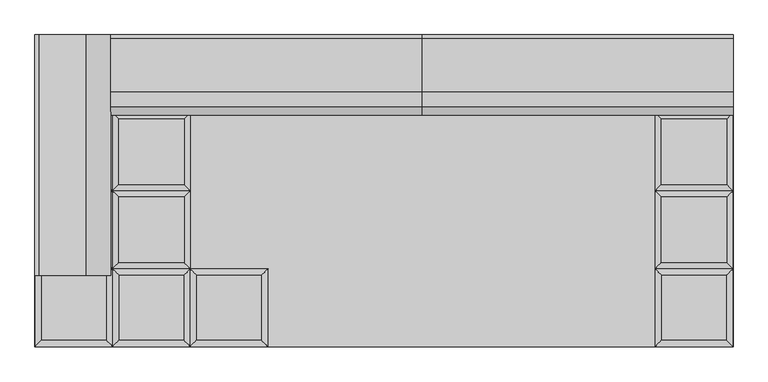
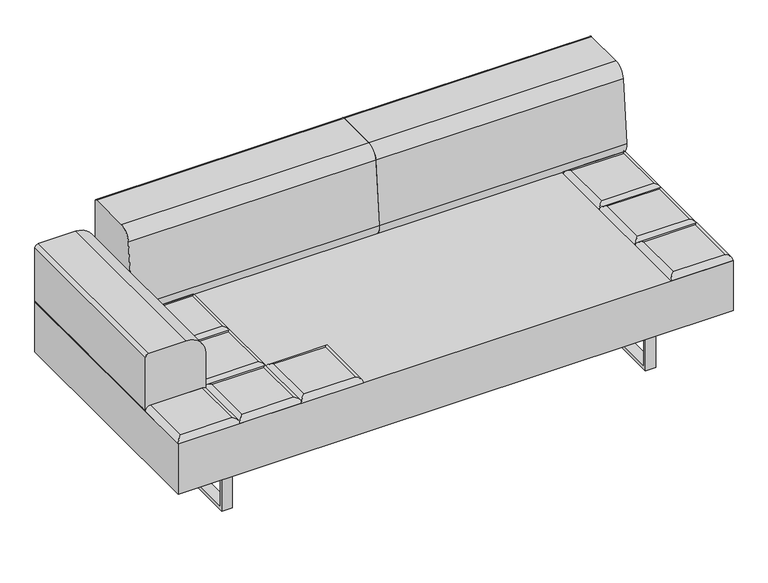
"""IFC4 building model written with IfcOpenShell, lengths in millimetres: furniture geometry."""

from ifc_helpers import new_model, si_unit, point, frame, frame_2d, origin, place, context, project, spatial, polyline, circle_curve, ellipse_curve, trimmed, segment, composite_curve, outline, extrude, source, transform, mapped, element, save
from ifc_brep_helpers import plane_surface, cylinder_surface, advanced_brep


def furniture_62839e87(model_context):
    return source(origin(), model_context, "Body", "SolidModel", [
        advanced_brep(
        [(-330.2, -222.25, 393.7), (-348.1605122, -240.2105122, 411.6605122), (-348.1605122, -426.5394878, 411.6605122), (-330.2, -444.5, 393.7), (-534.4894878, -426.5394878, 411.6605122), (-552.45, -444.5, 393.7), (-534.4894878, -240.2105122, 411.6605122), (-552.45, -222.25, 393.7)],
        [
            (0, 1, ellipse_curve(frame((-348.1605122, -240.2105122, 393.7), z_axis=(0.7071067811865475, -0.7071067811865475, 0.0), x_axis=(0.7071067811865474, 0.7071067811865476, 0.0)), 25.4, 17.9605122)),
            (1, 2),
            (2, 3, ellipse_curve(frame((-348.1605122, -426.5394878, 393.7), z_axis=(0.7071067811865475, 0.7071067811865475, 0.0), x_axis=(-0.7071067811865474, 0.7071067811865476, 0.0)), 25.4, 17.9605122)),
            (3, 0),
            (2, 4),
            (4, 5, ellipse_curve(frame((-534.4894878, -426.5394878, 393.7), z_axis=(0.7071067811865475, -0.7071067811865475, 0.0), x_axis=(0.7071067811865476, 0.7071067811865474, 0.0)), 25.4, 17.9605122)),
            (5, 3),
            (4, 6),
            (6, 7, ellipse_curve(frame((-534.4894878, -240.2105122, 393.7), z_axis=(-0.7071067811865475, -0.7071067811865475, 0.0), x_axis=(0.7071067811865474, -0.7071067811865476, 0.0)), 25.4, 17.9605122)),
            (7, 5),
            (0, 7),
            (6, 1),
        ],
        [
            cylinder_surface(frame((-348.1605122, -222.25, 393.7), z_axis=(0.0, 1.0, 0.0), x_axis=(1.0, 0.0, 0.0)), 17.9605122),
            cylinder_surface(frame((-330.2, -426.5394878, 393.7), z_axis=(1.0, 0.0, 0.0), x_axis=(0.0, -1.0, 0.0)), 17.9605122),
            cylinder_surface(frame((-534.4894878, -444.5, 393.7), z_axis=(0.0, -1.0, 0.0), x_axis=(-1.0, 0.0, 0.0)), 17.9605122),
            cylinder_surface(frame((-552.45, -240.2105122, 393.7), z_axis=(-1.0, 0.0, 0.0), x_axis=(0.0, 1.0, 0.0)), 17.9605122),
            plane_surface(frame((-552.45, -222.25, 393.7), z_axis=(0.0, 0.0, -1.0), x_axis=(1.0, 0.0, 0.0))),
            plane_surface(frame((-534.4894878, -240.2105122, 411.6605122), z_axis=(0.0, 0.0, 1.0), x_axis=(-1.0, 0.0, 0.0))),
        ],
        [
            (0, [[1, 2, 3, 4]]),
            (1, [[-3, 5, 6, 7]]),
            (2, [[-6, 8, 9, 10]]),
            (3, [[-1, 11, -9, 12]]),
            (4, [[-4, -7, -10, -11]]),
            (5, [[-2, -12, -8, -5]]),
        ],
    ),
        advanced_brep(
        [(-568.8230122, -204.2894878, 411.6605122), (-568.8230122, -17.9605122, 411.6605122), (-755.1519878, -17.9605122, 411.6605122), (-755.1519878, -204.2894878, 411.6605122), (-550.8625, 0.0, 393.7), (-550.8625, -222.25, 393.7), (-773.1125, -222.25, 393.7), (-773.1125, 0.0, 393.7)],
        [
            (0, 1),
            (1, 2),
            (2, 3),
            (3, 0),
            (4, 5),
            (5, 6),
            (6, 7),
            (7, 4),
            (4, 1, ellipse_curve(frame((-568.8230122, -17.9605122, 393.7), z_axis=(0.7071067811865475, -0.7071067811865475, 0.0), x_axis=(0.7071067811865474, 0.7071067811865476, 0.0)), 25.4, 17.9605122)),
            (0, 5, ellipse_curve(frame((-568.8230122, -204.2894878, 393.7), z_axis=(0.7071067811865475, 0.7071067811865475, 0.0), x_axis=(-0.7071067811865474, 0.7071067811865476, 0.0)), 25.4, 17.9605122)),
            (3, 6, ellipse_curve(frame((-755.1519878, -204.2894878, 393.7), z_axis=(0.7071067811865475, -0.7071067811865475, 0.0), x_axis=(0.7071067811865476, 0.7071067811865474, 0.0)), 25.4, 17.9605122)),
            (2, 7, ellipse_curve(frame((-755.1519878, -17.9605122, 393.7), z_axis=(-0.7071067811865475, -0.7071067811865475, 0.0), x_axis=(0.7071067811865474, -0.7071067811865476, 0.0)), 25.4, 17.9605122)),
        ],
        [
            plane_surface(frame((-755.1519878, -17.9605122, 411.6605122), z_axis=(0.0, 0.0, 1.0), x_axis=(-1.0, 0.0, 0.0))),
            plane_surface(frame((-755.1519878, -17.9605122, 393.7), z_axis=(0.0, 0.0, -1.0), x_axis=(1.0, 0.0, 0.0))),
            cylinder_surface(frame((-568.8230122, 0.0, 393.7), z_axis=(0.0, 1.0, 0.0), x_axis=(1.0, 0.0, 0.0)), 17.9605122),
            cylinder_surface(frame((-550.8625, -204.2894878, 393.7), z_axis=(1.0, 0.0, 0.0), x_axis=(0.0, -1.0, 0.0)), 17.9605122),
            cylinder_surface(frame((-755.1519878, -222.25, 393.7), z_axis=(0.0, -1.0, 0.0), x_axis=(-1.0, 0.0, 0.0)), 17.9605122),
            cylinder_surface(frame((-773.1125, -17.9605122, 393.7), z_axis=(-1.0, 0.0, 0.0), x_axis=(0.0, 1.0, 0.0)), 17.9605122),
        ],
        [
            (0, [[1, 2, 3, 4]]),
            (1, [[5, 6, 7, 8]]),
            (2, [[9, -1, 10, -5]]),
            (3, [[-10, -4, 11, -6]]),
            (4, [[-11, -3, 12, -7]]),
            (5, [[-9, -8, -12, -2]]),
        ],
    ),
        advanced_brep(
        [(-568.8230122, 17.9605122, 411.6605122), (-568.8230122, 204.2894878, 411.6605122), (-755.1519878, 204.2894878, 411.6605122), (-755.1519878, 17.9605122, 411.6605122), (-550.8625, 222.25, 393.7), (-550.8625, 0.0, 393.7), (-773.1125, 0.0, 393.7), (-773.1125, 222.25, 393.7)],
        [
            (0, 1),
            (1, 2),
            (2, 3),
            (3, 0),
            (4, 5),
            (5, 6),
            (6, 7),
            (7, 4),
            (4, 1, ellipse_curve(frame((-568.8230122, 204.2894878, 393.7), z_axis=(0.7071067811865475, -0.7071067811865475, 0.0), x_axis=(0.7071067811865474, 0.7071067811865476, 0.0)), 25.4, 17.9605122)),
            (0, 5, ellipse_curve(frame((-568.8230122, 17.9605122, 393.7), z_axis=(0.7071067811865475, 0.7071067811865475, 0.0), x_axis=(-0.7071067811865474, 0.7071067811865476, 0.0)), 25.4, 17.9605122)),
            (3, 6, ellipse_curve(frame((-755.1519878, 17.9605122, 393.7), z_axis=(0.7071067811865475, -0.7071067811865475, 0.0), x_axis=(0.7071067811865476, 0.7071067811865474, 0.0)), 25.4, 17.9605122)),
            (2, 7, ellipse_curve(frame((-755.1519878, 204.2894878, 393.7), z_axis=(-0.7071067811865475, -0.7071067811865475, 0.0), x_axis=(0.7071067811865474, -0.7071067811865476, 0.0)), 25.4, 17.9605122)),
        ],
        [
            plane_surface(frame((-755.1519878, 204.2894878, 411.6605122), z_axis=(0.0, 0.0, 1.0), x_axis=(-1.0, 0.0, 0.0))),
            plane_surface(frame((-755.1519878, 204.2894878, 393.7), z_axis=(0.0, 0.0, -1.0), x_axis=(1.0, 0.0, 0.0))),
            cylinder_surface(frame((-568.8230122, 222.25, 393.7), z_axis=(0.0, 1.0, 0.0), x_axis=(1.0, 0.0, 0.0)), 17.9605122),
            cylinder_surface(frame((-550.8625, 17.9605122, 393.7), z_axis=(1.0, 0.0, 0.0), x_axis=(0.0, -1.0, 0.0)), 17.9605122),
            cylinder_surface(frame((-755.1519878, 0.0, 393.7), z_axis=(0.0, -1.0, 0.0), x_axis=(-1.0, 0.0, 0.0)), 17.9605122),
            cylinder_surface(frame((-773.1125, 204.2894878, 393.7), z_axis=(-1.0, 0.0, 0.0), x_axis=(0.0, 1.0, 0.0)), 17.9605122),
        ],
        [
            (0, [[1, 2, 3, 4]]),
            (1, [[5, 6, 7, 8]]),
            (2, [[9, -1, 10, -5]]),
            (3, [[-10, -4, 11, -6]]),
            (4, [[-11, -3, 12, -7]]),
            (5, [[-9, -8, -12, -2]]),
        ],
    ),
        advanced_brep(
        [(-568.8230122, 240.2105122, 411.6605122), (-568.8230122, 426.5394878, 411.6605122), (-755.1519878, 426.5394878, 411.6605122), (-755.1519878, 240.2105122, 411.6605122), (-550.8625, 444.5, 393.7), (-550.8625, 222.25, 393.7), (-773.1125, 222.25, 393.7), (-773.1125, 444.5, 393.7)],
        [
            (0, 1),
            (1, 2),
            (2, 3),
            (3, 0),
            (4, 5),
            (5, 6),
            (6, 7),
            (7, 4),
            (4, 1, ellipse_curve(frame((-568.8230122, 426.5394878, 393.7), z_axis=(0.7071067811865475, -0.7071067811865475, 0.0), x_axis=(0.7071067811865474, 0.7071067811865476, 0.0)), 25.4, 17.9605122)),
            (0, 5, ellipse_curve(frame((-568.8230122, 240.2105122, 393.7), z_axis=(0.7071067811865475, 0.7071067811865475, 0.0), x_axis=(-0.7071067811865474, 0.7071067811865476, 0.0)), 25.4, 17.9605122)),
            (3, 6, ellipse_curve(frame((-755.1519878, 240.2105122, 393.7), z_axis=(0.7071067811865475, -0.7071067811865475, 0.0), x_axis=(0.7071067811865476, 0.7071067811865474, 0.0)), 25.4, 17.9605122)),
            (2, 7, ellipse_curve(frame((-755.1519878, 426.5394878, 393.7), z_axis=(-0.7071067811865475, -0.7071067811865475, 0.0), x_axis=(0.7071067811865474, -0.7071067811865476, 0.0)), 25.4, 17.9605122)),
        ],
        [
            plane_surface(frame((-755.1519878, 426.5394878, 411.6605122), z_axis=(0.0, 0.0, 1.0), x_axis=(-1.0, 0.0, 0.0))),
            plane_surface(frame((-755.1519878, 426.5394878, 393.7), z_axis=(0.0, 0.0, -1.0), x_axis=(1.0, 0.0, 0.0))),
            cylinder_surface(frame((-568.8230122, 444.5, 393.7), z_axis=(0.0, 1.0, 0.0), x_axis=(1.0, 0.0, 0.0)), 17.9605122),
            cylinder_surface(frame((-550.8625, 240.2105122, 393.7), z_axis=(1.0, 0.0, 0.0), x_axis=(0.0, -1.0, 0.0)), 17.9605122),
            cylinder_surface(frame((-755.1519878, 222.25, 393.7), z_axis=(0.0, -1.0, 0.0), x_axis=(-1.0, 0.0, 0.0)), 17.9605122),
            cylinder_surface(frame((-773.1125, 426.5394878, 393.7), z_axis=(-1.0, 0.0, 0.0), x_axis=(0.0, 1.0, 0.0)), 17.9605122),
        ],
        [
            (0, [[1, 2, 3, 4]]),
            (1, [[5, 6, 7, 8]]),
            (2, [[9, -1, 10, -5]]),
            (3, [[-10, -4, 11, -6]]),
            (4, [[-11, -3, 12, -7]]),
            (5, [[-9, -8, -12, -2]]),
        ],
    ),
        advanced_brep(
        [(-550.8625, -222.25, 393.7), (-568.8230122, -240.2105122, 411.6605122), (-568.8230122, -426.5394878, 411.6605122), (-550.8625, -444.5, 393.7), (-755.1519878, -426.5394878, 411.6605122), (-773.1125, -444.5, 393.7), (-755.1519878, -240.2105122, 411.6605122), (-773.1125, -222.25, 393.7)],
        [
            (0, 1, ellipse_curve(frame((-568.8230122, -240.2105122, 393.7), z_axis=(0.7071067811865475, -0.7071067811865475, 0.0), x_axis=(0.7071067811865474, 0.7071067811865476, 0.0)), 25.4, 17.9605122)),
            (1, 2),
            (2, 3, ellipse_curve(frame((-568.8230122, -426.5394878, 393.7), z_axis=(0.7071067811865475, 0.7071067811865475, 0.0), x_axis=(-0.7071067811865474, 0.7071067811865476, 0.0)), 25.4, 17.9605122)),
            (3, 0),
            (2, 4),
            (4, 5, ellipse_curve(frame((-755.1519878, -426.5394878, 393.7), z_axis=(0.7071067811865475, -0.7071067811865475, 0.0), x_axis=(0.7071067811865476, 0.7071067811865474, 0.0)), 25.4, 17.9605122)),
            (5, 3),
            (4, 6),
            (6, 7, ellipse_curve(frame((-755.1519878, -240.2105122, 393.7), z_axis=(-0.7071067811865475, -0.7071067811865475, 0.0), x_axis=(0.7071067811865474, -0.7071067811865476, 0.0)), 25.4, 17.9605122)),
            (7, 5),
            (0, 7),
            (6, 1),
        ],
        [
            cylinder_surface(frame((-568.8230122, -222.25, 393.7), z_axis=(0.0, 1.0, 0.0), x_axis=(1.0, 0.0, 0.0)), 17.9605122),
            cylinder_surface(frame((-550.8625, -426.5394878, 393.7), z_axis=(1.0, 0.0, 0.0), x_axis=(0.0, -1.0, 0.0)), 17.9605122),
            cylinder_surface(frame((-755.1519878, -444.5, 393.7), z_axis=(0.0, -1.0, 0.0), x_axis=(-1.0, 0.0, 0.0)), 17.9605122),
            cylinder_surface(frame((-773.1125, -240.2105122, 393.7), z_axis=(-1.0, 0.0, 0.0), x_axis=(0.0, 1.0, 0.0)), 17.9605122),
            plane_surface(frame((-773.1125, -222.25, 393.7), z_axis=(0.0, 0.0, -1.0), x_axis=(1.0, 0.0, 0.0))),
            plane_surface(frame((-755.1519878, -240.2105122, 411.6605122), z_axis=(0.0, 0.0, 1.0), x_axis=(-1.0, 0.0, 0.0))),
        ],
        [
            (0, [[1, 2, 3, 4]]),
            (1, [[-3, 5, 6, 7]]),
            (2, [[-6, 8, 9, 10]]),
            (3, [[-1, 11, -9, 12]]),
            (4, [[-4, -7, -10, -11]]),
            (5, [[-2, -12, -8, -5]]),
        ],
    ),
        advanced_brep(
        [(975.8144878, -204.2894878, 411.6605122), (975.8144878, -17.9605122, 411.6605122), (789.4855122, -17.9605122, 411.6605122), (789.4855122, -204.2894878, 411.6605122), (993.775, 0.0, 393.7), (993.775, -222.25, 393.7), (771.525, -222.25, 393.7), (771.525, 0.0, 393.7)],
        [
            (0, 1),
            (1, 2),
            (2, 3),
            (3, 0),
            (4, 5),
            (5, 6),
            (6, 7),
            (7, 4),
            (4, 1, ellipse_curve(frame((975.8144878, -17.9605122, 393.7), z_axis=(0.7071067811865475, -0.7071067811865475, 0.0), x_axis=(0.7071067811865474, 0.7071067811865476, 0.0)), 25.4, 17.9605122)),
            (0, 5, ellipse_curve(frame((975.8144878, -204.2894878, 393.7), z_axis=(0.7071067811865475, 0.7071067811865475, 0.0), x_axis=(-0.7071067811865474, 0.7071067811865476, 0.0)), 25.4, 17.9605122)),
            (3, 6, ellipse_curve(frame((789.4855122, -204.2894878, 393.7), z_axis=(0.7071067811865475, -0.7071067811865475, 0.0), x_axis=(0.7071067811865476, 0.7071067811865474, 0.0)), 25.4, 17.9605122)),
            (2, 7, ellipse_curve(frame((789.4855122, -17.9605122, 393.7), z_axis=(-0.7071067811865475, -0.7071067811865475, 0.0), x_axis=(0.7071067811865474, -0.7071067811865476, 0.0)), 25.4, 17.9605122)),
        ],
        [
            plane_surface(frame((789.4855122, -17.9605122, 411.6605122), z_axis=(0.0, 0.0, 1.0), x_axis=(-1.0, 0.0, 0.0))),
            plane_surface(frame((789.4855122, -17.9605122, 393.7), z_axis=(0.0, 0.0, -1.0), x_axis=(1.0, 0.0, 0.0))),
            cylinder_surface(frame((975.8144878, 0.0, 393.7), z_axis=(0.0, 1.0, 0.0), x_axis=(1.0, 0.0, 0.0)), 17.9605122),
            cylinder_surface(frame((993.775, -204.2894878, 393.7), z_axis=(1.0, 0.0, 0.0), x_axis=(0.0, -1.0, 0.0)), 17.9605122),
            cylinder_surface(frame((789.4855122, -222.25, 393.7), z_axis=(0.0, -1.0, 0.0), x_axis=(-1.0, 0.0, 0.0)), 17.9605122),
            cylinder_surface(frame((771.525, -17.9605122, 393.7), z_axis=(-1.0, 0.0, 0.0), x_axis=(0.0, 1.0, 0.0)), 17.9605122),
        ],
        [
            (0, [[1, 2, 3, 4]]),
            (1, [[5, 6, 7, 8]]),
            (2, [[9, -1, 10, -5]]),
            (3, [[-10, -4, 11, -6]]),
            (4, [[-11, -3, 12, -7]]),
            (5, [[-9, -8, -12, -2]]),
        ],
    ),
        advanced_brep(
        [(975.8144878, 17.9605122, 411.6605122), (975.8144878, 204.2894878, 411.6605122), (789.4855122, 204.2894878, 411.6605122), (789.4855122, 17.9605122, 411.6605122), (993.775, 222.25, 393.7), (993.775, 0.0, 393.7), (771.525, 0.0, 393.7), (771.525, 222.25, 393.7)],
        [
            (0, 1),
            (1, 2),
            (2, 3),
            (3, 0),
            (4, 5),
            (5, 6),
            (6, 7),
            (7, 4),
            (4, 1, ellipse_curve(frame((975.8144878, 204.2894878, 393.7), z_axis=(0.7071067811865475, -0.7071067811865475, 0.0), x_axis=(0.7071067811865474, 0.7071067811865476, 0.0)), 25.4, 17.9605122)),
            (0, 5, ellipse_curve(frame((975.8144878, 17.9605122, 393.7), z_axis=(0.7071067811865475, 0.7071067811865475, 0.0), x_axis=(-0.7071067811865474, 0.7071067811865476, 0.0)), 25.4, 17.9605122)),
            (3, 6, ellipse_curve(frame((789.4855122, 17.9605122, 393.7), z_axis=(0.7071067811865475, -0.7071067811865475, 0.0), x_axis=(0.7071067811865476, 0.7071067811865474, 0.0)), 25.4, 17.9605122)),
            (2, 7, ellipse_curve(frame((789.4855122, 204.2894878, 393.7), z_axis=(-0.7071067811865475, -0.7071067811865475, 0.0), x_axis=(0.7071067811865474, -0.7071067811865476, 0.0)), 25.4, 17.9605122)),
        ],
        [
            plane_surface(frame((789.4855122, 204.2894878, 411.6605122), z_axis=(0.0, 0.0, 1.0), x_axis=(-1.0, 0.0, 0.0))),
            plane_surface(frame((789.4855122, 204.2894878, 393.7), z_axis=(0.0, 0.0, -1.0), x_axis=(1.0, 0.0, 0.0))),
            cylinder_surface(frame((975.8144878, 222.25, 393.7), z_axis=(0.0, 1.0, 0.0), x_axis=(1.0, 0.0, 0.0)), 17.9605122),
            cylinder_surface(frame((993.775, 17.9605122, 393.7), z_axis=(1.0, 0.0, 0.0), x_axis=(0.0, -1.0, 0.0)), 17.9605122),
            cylinder_surface(frame((789.4855122, 0.0, 393.7), z_axis=(0.0, -1.0, 0.0), x_axis=(-1.0, 0.0, 0.0)), 17.9605122),
            cylinder_surface(frame((771.525, 204.2894878, 393.7), z_axis=(-1.0, 0.0, 0.0), x_axis=(0.0, 1.0, 0.0)), 17.9605122),
        ],
        [
            (0, [[1, 2, 3, 4]]),
            (1, [[5, 6, 7, 8]]),
            (2, [[9, -1, 10, -5]]),
            (3, [[-10, -4, 11, -6]]),
            (4, [[-11, -3, 12, -7]]),
            (5, [[-9, -8, -12, -2]]),
        ],
    ),
        advanced_brep(
        [(975.8144878, 240.2105122, 411.6605122), (975.8144878, 426.5394878, 411.6605122), (789.4855122, 426.5394878, 411.6605122), (789.4855122, 240.2105122, 411.6605122), (993.775, 444.5, 393.7), (993.775, 222.25, 393.7), (771.525, 222.25, 393.7), (771.525, 444.5, 393.7)],
        [
            (0, 1),
            (1, 2),
            (2, 3),
            (3, 0),
            (4, 5),
            (5, 6),
            (6, 7),
            (7, 4),
            (4, 1, ellipse_curve(frame((975.8144878, 426.5394878, 393.7), z_axis=(0.7071067811865475, -0.7071067811865475, 0.0), x_axis=(0.7071067811865474, 0.7071067811865476, 0.0)), 25.4, 17.9605122)),
            (0, 5, ellipse_curve(frame((975.8144878, 240.2105122, 393.7), z_axis=(0.7071067811865475, 0.7071067811865475, 0.0), x_axis=(-0.7071067811865474, 0.7071067811865476, 0.0)), 25.4, 17.9605122)),
            (3, 6, ellipse_curve(frame((789.4855122, 240.2105122, 393.7), z_axis=(0.7071067811865475, -0.7071067811865475, 0.0), x_axis=(0.7071067811865476, 0.7071067811865474, 0.0)), 25.4, 17.9605122)),
            (2, 7, ellipse_curve(frame((789.4855122, 426.5394878, 393.7), z_axis=(-0.7071067811865475, -0.7071067811865475, 0.0), x_axis=(0.7071067811865474, -0.7071067811865476, 0.0)), 25.4, 17.9605122)),
        ],
        [
            plane_surface(frame((789.4855122, 426.5394878, 411.6605122), z_axis=(0.0, 0.0, 1.0), x_axis=(-1.0, 0.0, 0.0))),
            plane_surface(frame((789.4855122, 426.5394878, 393.7), z_axis=(0.0, 0.0, -1.0), x_axis=(1.0, 0.0, 0.0))),
            cylinder_surface(frame((975.8144878, 444.5, 393.7), z_axis=(0.0, 1.0, 0.0), x_axis=(1.0, 0.0, 0.0)), 17.9605122),
            cylinder_surface(frame((993.775, 240.2105122, 393.7), z_axis=(1.0, 0.0, 0.0), x_axis=(0.0, -1.0, 0.0)), 17.9605122),
            cylinder_surface(frame((789.4855122, 222.25, 393.7), z_axis=(0.0, -1.0, 0.0), x_axis=(-1.0, 0.0, 0.0)), 17.9605122),
            cylinder_surface(frame((771.525, 426.5394878, 393.7), z_axis=(-1.0, 0.0, 0.0), x_axis=(0.0, 1.0, 0.0)), 17.9605122),
        ],
        [
            (0, [[1, 2, 3, 4]]),
            (1, [[5, 6, 7, 8]]),
            (2, [[9, -1, 10, -5]]),
            (3, [[-10, -4, 11, -6]]),
            (4, [[-11, -3, 12, -7]]),
            (5, [[-9, -8, -12, -2]]),
        ],
    ),
        advanced_brep(
        [(993.775, -222.25, 393.7), (975.8144878, -240.2105122, 411.6605122), (975.8144878, -426.5394878, 411.6605122), (993.775, -444.5, 393.7), (789.4855122, -426.5394878, 411.6605122), (771.525, -444.5, 393.7), (789.4855122, -240.2105122, 411.6605122), (771.525, -222.25, 393.7)],
        [
            (0, 1, ellipse_curve(frame((975.8144878, -240.2105122, 393.7), z_axis=(0.7071067811865475, -0.7071067811865475, 0.0), x_axis=(0.7071067811865474, 0.7071067811865476, 0.0)), 25.4, 17.9605122)),
            (1, 2),
            (2, 3, ellipse_curve(frame((975.8144878, -426.5394878, 393.7), z_axis=(0.7071067811865475, 0.7071067811865475, 0.0), x_axis=(-0.7071067811865474, 0.7071067811865476, 0.0)), 25.4, 17.9605122)),
            (3, 0),
            (2, 4),
            (4, 5, ellipse_curve(frame((789.4855122, -426.5394878, 393.7), z_axis=(0.7071067811865475, -0.7071067811865475, 0.0), x_axis=(0.7071067811865476, 0.7071067811865474, 0.0)), 25.4, 17.9605122)),
            (5, 3),
            (4, 6),
            (6, 7, ellipse_curve(frame((789.4855122, -240.2105122, 393.7), z_axis=(-0.7071067811865475, -0.7071067811865475, 0.0), x_axis=(0.7071067811865474, -0.7071067811865476, 0.0)), 25.4, 17.9605122)),
            (7, 5),
            (0, 7),
            (6, 1),
        ],
        [
            cylinder_surface(frame((975.8144878, -222.25, 393.7), z_axis=(0.0, 1.0, 0.0), x_axis=(1.0, 0.0, 0.0)), 17.9605122),
            cylinder_surface(frame((993.775, -426.5394878, 393.7), z_axis=(1.0, 0.0, 0.0), x_axis=(0.0, -1.0, 0.0)), 17.9605122),
            cylinder_surface(frame((789.4855122, -444.5, 393.7), z_axis=(0.0, -1.0, 0.0), x_axis=(-1.0, 0.0, 0.0)), 17.9605122),
            cylinder_surface(frame((771.525, -240.2105122, 393.7), z_axis=(-1.0, 0.0, 0.0), x_axis=(0.0, 1.0, 0.0)), 17.9605122),
            plane_surface(frame((771.525, -222.25, 393.7), z_axis=(0.0, 0.0, -1.0), x_axis=(1.0, 0.0, 0.0))),
            plane_surface(frame((789.4855122, -240.2105122, 411.6605122), z_axis=(0.0, 0.0, 1.0), x_axis=(-1.0, 0.0, 0.0))),
        ],
        [
            (0, [[1, 2, 3, 4]]),
            (1, [[-3, 5, 6, 7]]),
            (2, [[-6, 8, 9, 10]]),
            (3, [[-1, 11, -9, 12]]),
            (4, [[-4, -7, -10, -11]]),
            (5, [[-2, -12, -8, -5]]),
        ],
    ),
        advanced_brep(
        [(-789.4855122, -204.2894878, 411.6605122), (-789.4855122, -17.9605122, 411.6605122), (-975.8144878, -17.9605122, 411.6605122), (-975.8144878, -204.2894878, 411.6605122), (-771.525, 0.0, 393.7), (-771.525, -222.25, 393.7), (-993.775, -222.25, 393.7), (-993.775, 0.0, 393.7)],
        [
            (0, 1),
            (1, 2),
            (2, 3),
            (3, 0),
            (4, 5),
            (5, 6),
            (6, 7),
            (7, 4),
            (4, 1, ellipse_curve(frame((-789.4855122, -17.9605122, 393.7), z_axis=(0.7071067811865475, -0.7071067811865475, 0.0), x_axis=(0.7071067811865474, 0.7071067811865476, 0.0)), 25.4, 17.9605122)),
            (0, 5, ellipse_curve(frame((-789.4855122, -204.2894878, 393.7), z_axis=(0.7071067811865475, 0.7071067811865475, 0.0), x_axis=(-0.7071067811865474, 0.7071067811865476, 0.0)), 25.4, 17.9605122)),
            (3, 6, ellipse_curve(frame((-975.8144878, -204.2894878, 393.7), z_axis=(0.7071067811865475, -0.7071067811865475, 0.0), x_axis=(0.7071067811865476, 0.7071067811865474, 0.0)), 25.4, 17.9605122)),
            (2, 7, ellipse_curve(frame((-975.8144878, -17.9605122, 393.7), z_axis=(-0.7071067811865475, -0.7071067811865475, 0.0), x_axis=(0.7071067811865474, -0.7071067811865476, 0.0)), 25.4, 17.9605122)),
        ],
        [
            plane_surface(frame((-975.8144878, -17.9605122, 411.6605122), z_axis=(0.0, 0.0, 1.0), x_axis=(-1.0, 0.0, 0.0))),
            plane_surface(frame((-975.8144878, -17.9605122, 393.7), z_axis=(0.0, 0.0, -1.0), x_axis=(1.0, 0.0, 0.0))),
            cylinder_surface(frame((-789.4855122, 0.0, 393.7), z_axis=(0.0, 1.0, 0.0), x_axis=(1.0, 0.0, 0.0)), 17.9605122),
            cylinder_surface(frame((-771.525, -204.2894878, 393.7), z_axis=(1.0, 0.0, 0.0), x_axis=(0.0, -1.0, 0.0)), 17.9605122),
            cylinder_surface(frame((-975.8144878, -222.25, 393.7), z_axis=(0.0, -1.0, 0.0), x_axis=(-1.0, 0.0, 0.0)), 17.9605122),
            cylinder_surface(frame((-993.775, -17.9605122, 393.7), z_axis=(-1.0, 0.0, 0.0), x_axis=(0.0, 1.0, 0.0)), 17.9605122),
        ],
        [
            (0, [[1, 2, 3, 4]]),
            (1, [[5, 6, 7, 8]]),
            (2, [[9, -1, 10, -5]]),
            (3, [[-10, -4, 11, -6]]),
            (4, [[-11, -3, 12, -7]]),
            (5, [[-9, -8, -12, -2]]),
        ],
    ),
        advanced_brep(
        [(-789.4855122, 17.9605122, 411.6605122), (-789.4855122, 204.2894878, 411.6605122), (-975.8144878, 204.2894878, 411.6605122), (-975.8144878, 17.9605122, 411.6605122), (-771.525, 222.25, 393.7), (-771.525, 0.0, 393.7), (-993.775, 0.0, 393.7), (-993.775, 222.25, 393.7)],
        [
            (0, 1),
            (1, 2),
            (2, 3),
            (3, 0),
            (4, 5),
            (5, 6),
            (6, 7),
            (7, 4),
            (4, 1, ellipse_curve(frame((-789.4855122, 204.2894878, 393.7), z_axis=(0.7071067811865475, -0.7071067811865475, 0.0), x_axis=(0.7071067811865474, 0.7071067811865476, 0.0)), 25.4, 17.9605122)),
            (0, 5, ellipse_curve(frame((-789.4855122, 17.9605122, 393.7), z_axis=(0.7071067811865475, 0.7071067811865475, 0.0), x_axis=(-0.7071067811865474, 0.7071067811865476, 0.0)), 25.4, 17.9605122)),
            (3, 6, ellipse_curve(frame((-975.8144878, 17.9605122, 393.7), z_axis=(0.7071067811865475, -0.7071067811865475, 0.0), x_axis=(0.7071067811865476, 0.7071067811865474, 0.0)), 25.4, 17.9605122)),
            (2, 7, ellipse_curve(frame((-975.8144878, 204.2894878, 393.7), z_axis=(-0.7071067811865475, -0.7071067811865475, 0.0), x_axis=(0.7071067811865474, -0.7071067811865476, 0.0)), 25.4, 17.9605122)),
        ],
        [
            plane_surface(frame((-975.8144878, 204.2894878, 411.6605122), z_axis=(0.0, 0.0, 1.0), x_axis=(-1.0, 0.0, 0.0))),
            plane_surface(frame((-975.8144878, 204.2894878, 393.7), z_axis=(0.0, 0.0, -1.0), x_axis=(1.0, 0.0, 0.0))),
            cylinder_surface(frame((-789.4855122, 222.25, 393.7), z_axis=(0.0, 1.0, 0.0), x_axis=(1.0, 0.0, 0.0)), 17.9605122),
            cylinder_surface(frame((-771.525, 17.9605122, 393.7), z_axis=(1.0, 0.0, 0.0), x_axis=(0.0, -1.0, 0.0)), 17.9605122),
            cylinder_surface(frame((-975.8144878, 0.0, 393.7), z_axis=(0.0, -1.0, 0.0), x_axis=(-1.0, 0.0, 0.0)), 17.9605122),
            cylinder_surface(frame((-993.775, 204.2894878, 393.7), z_axis=(-1.0, 0.0, 0.0), x_axis=(0.0, 1.0, 0.0)), 17.9605122),
        ],
        [
            (0, [[1, 2, 3, 4]]),
            (1, [[5, 6, 7, 8]]),
            (2, [[9, -1, 10, -5]]),
            (3, [[-10, -4, 11, -6]]),
            (4, [[-11, -3, 12, -7]]),
            (5, [[-9, -8, -12, -2]]),
        ],
    ),
        advanced_brep(
        [(-789.4855122, 240.2105122, 411.6605122), (-789.4855122, 426.5394878, 411.6605122), (-975.8144878, 426.5394878, 411.6605122), (-975.8144878, 240.2105122, 411.6605122), (-771.525, 444.5, 393.7), (-771.525, 222.25, 393.7), (-993.775, 222.25, 393.7), (-993.775, 444.5, 393.7)],
        [
            (0, 1),
            (1, 2),
            (2, 3),
            (3, 0),
            (4, 5),
            (5, 6),
            (6, 7),
            (7, 4),
            (4, 1, ellipse_curve(frame((-789.4855122, 426.5394878, 393.7), z_axis=(0.7071067811865475, -0.7071067811865475, 0.0), x_axis=(0.7071067811865474, 0.7071067811865476, 0.0)), 25.4, 17.9605122)),
            (0, 5, ellipse_curve(frame((-789.4855122, 240.2105122, 393.7), z_axis=(0.7071067811865475, 0.7071067811865475, 0.0), x_axis=(-0.7071067811865474, 0.7071067811865476, 0.0)), 25.4, 17.9605122)),
            (3, 6, ellipse_curve(frame((-975.8144878, 240.2105122, 393.7), z_axis=(0.7071067811865475, -0.7071067811865475, 0.0), x_axis=(0.7071067811865476, 0.7071067811865474, 0.0)), 25.4, 17.9605122)),
            (2, 7, ellipse_curve(frame((-975.8144878, 426.5394878, 393.7), z_axis=(-0.7071067811865475, -0.7071067811865475, 0.0), x_axis=(0.7071067811865474, -0.7071067811865476, 0.0)), 25.4, 17.9605122)),
        ],
        [
            plane_surface(frame((-975.8144878, 426.5394878, 411.6605122), z_axis=(0.0, 0.0, 1.0), x_axis=(-1.0, 0.0, 0.0))),
            plane_surface(frame((-975.8144878, 426.5394878, 393.7), z_axis=(0.0, 0.0, -1.0), x_axis=(1.0, 0.0, 0.0))),
            cylinder_surface(frame((-789.4855122, 444.5, 393.7), z_axis=(0.0, 1.0, 0.0), x_axis=(1.0, 0.0, 0.0)), 17.9605122),
            cylinder_surface(frame((-771.525, 240.2105122, 393.7), z_axis=(1.0, 0.0, 0.0), x_axis=(0.0, -1.0, 0.0)), 17.9605122),
            cylinder_surface(frame((-975.8144878, 222.25, 393.7), z_axis=(0.0, -1.0, 0.0), x_axis=(-1.0, 0.0, 0.0)), 17.9605122),
            cylinder_surface(frame((-993.775, 426.5394878, 393.7), z_axis=(-1.0, 0.0, 0.0), x_axis=(0.0, 1.0, 0.0)), 17.9605122),
        ],
        [
            (0, [[1, 2, 3, 4]]),
            (1, [[5, 6, 7, 8]]),
            (2, [[9, -1, 10, -5]]),
            (3, [[-10, -4, 11, -6]]),
            (4, [[-11, -3, 12, -7]]),
            (5, [[-9, -8, -12, -2]]),
        ],
    ),
        advanced_brep(
        [(-771.525, -222.25, 393.7), (-789.4855122, -240.2105122, 411.6605122), (-789.4855122, -426.5394878, 411.6605122), (-771.525, -444.5, 393.7), (-975.8144878, -426.5394878, 411.6605122), (-993.775, -444.5, 393.7), (-975.8144878, -240.2105122, 411.6605122), (-993.775, -222.25, 393.7)],
        [
            (0, 1, ellipse_curve(frame((-789.4855122, -240.2105122, 393.7), z_axis=(0.7071067811865475, -0.7071067811865475, 0.0), x_axis=(0.7071067811865474, 0.7071067811865476, 0.0)), 25.4, 17.9605122)),
            (1, 2),
            (2, 3, ellipse_curve(frame((-789.4855122, -426.5394878, 393.7), z_axis=(0.7071067811865475, 0.7071067811865475, 0.0), x_axis=(-0.7071067811865474, 0.7071067811865476, 0.0)), 25.4, 17.9605122)),
            (3, 0),
            (2, 4),
            (4, 5, ellipse_curve(frame((-975.8144878, -426.5394878, 393.7), z_axis=(0.7071067811865475, -0.7071067811865475, 0.0), x_axis=(0.7071067811865476, 0.7071067811865474, 0.0)), 25.4, 17.9605122)),
            (5, 3),
            (4, 6),
            (6, 7, ellipse_curve(frame((-975.8144878, -240.2105122, 393.7), z_axis=(-0.7071067811865475, -0.7071067811865475, 0.0), x_axis=(0.7071067811865474, -0.7071067811865476, 0.0)), 25.4, 17.9605122)),
            (7, 5),
            (0, 7),
            (6, 1),
        ],
        [
            cylinder_surface(frame((-789.4855122, -222.25, 393.7), z_axis=(0.0, 1.0, 0.0), x_axis=(1.0, 0.0, 0.0)), 17.9605122),
            cylinder_surface(frame((-771.525, -426.5394878, 393.7), z_axis=(1.0, 0.0, 0.0), x_axis=(0.0, -1.0, 0.0)), 17.9605122),
            cylinder_surface(frame((-975.8144878, -444.5, 393.7), z_axis=(0.0, -1.0, 0.0), x_axis=(-1.0, 0.0, 0.0)), 17.9605122),
            cylinder_surface(frame((-993.775, -240.2105122, 393.7), z_axis=(-1.0, 0.0, 0.0), x_axis=(0.0, 1.0, 0.0)), 17.9605122),
            plane_surface(frame((-993.775, -222.25, 393.7), z_axis=(0.0, 0.0, -1.0), x_axis=(1.0, 0.0, 0.0))),
            plane_surface(frame((-975.8144878, -240.2105122, 411.6605122), z_axis=(0.0, 0.0, 1.0), x_axis=(-1.0, 0.0, 0.0))),
        ],
        [
            (0, [[1, 2, 3, 4]]),
            (1, [[-3, 5, 6, 7]]),
            (2, [[-6, 8, 9, 10]]),
            (3, [[-1, 11, -9, 12]]),
            (4, [[-4, -7, -10, -11]]),
            (5, [[-2, -12, -8, -5]]),
        ],
    ),
        extrude(outline(polyline([(-339.4724839, 0.0), (-339.4724839, 203.2), (341.6588694, 203.2), (341.6588694, 0.0), (-339.4724839, 0.0)]), holes=[polyline([(-326.7724839, 190.5), (-326.7724839, 12.7), (328.9588694, 12.7), (328.9588694, 190.5), (-326.7724839, 190.5)])]), frame((-777.875, 0.0, 0.0), z_axis=(1.0, 0.0, 0.0), x_axis=(0.0, 1.0, 0.0)), (0.0, 0.0, 1.0), 38.0999535),
        extrude(outline(polyline([(-339.4724839, 203.2), (341.6588694, 203.2), (341.6588694, 0.0), (-339.4724839, 0.0), (-339.4724839, 203.2)]), holes=[polyline([(-326.7724839, 12.7), (328.9588694, 12.7), (328.9588694, 190.5), (-326.7724839, 190.5), (-326.7724839, 12.7)])]), frame((739.7750465, 0.0, 0.0), z_axis=(1.0, 0.0, 0.0), x_axis=(0.0, 1.0, 0.0)), (0.0, 0.0, 1.0), 38.0999535),
        extrude(outline(polyline([(993.775, 444.5), (993.775, -444.5), (-993.775, -444.5), (-993.775, 444.5), (993.775, 444.5)])), frame((0.0, 0.0, 203.2), z_axis=(0.0, 0.0, 1.0), x_axis=(1.0, 0.0, 0.0)), (0.0, 0.0, 1.0), 190.5),
        extrude(outline(composite_curve([segment(polyline([(444.5, 393.7), (232.6067514, 393.7)]), True, "CONTINUOUS"), segment(trimmed(circle_curve(frame_2d((263.4189927, 430.9463408)), 48.3392606), [point((232.6067514, 393.7))], [point((215.3053904, 435.6116811))], False, "CARTESIAN"), True, "CONTINUOUS"), segment(polyline([(215.3053904, 435.6116811), (237.9512344, 669.1580194)]), True, "CONTINUOUS"), segment(trimmed(circle_curve(frame_2d((282.1937319, 664.8680412)), 44.45), [point((237.9512344, 669.1580194))], [point((282.1937319, 709.3180412))], False, "CARTESIAN"), True, "CONTINUOUS"), segment(polyline([(282.1937319, 709.3180412), (434.544558, 709.3180412)]), True, "CONTINUOUS"), segment(trimmed(circle_curve(frame_2d((434.544558, 699.3625993)), 9.955442), [point((434.544558, 709.3180412))], [point((444.5, 699.3625993))], False, "CARTESIAN"), True, "CONTINUOUS"), segment(polyline([(444.5, 699.3625993), (444.5, 393.7)]), True, "CONTINUOUS")], self_intersect=False)), frame((-777.875, 0.0, 0.0), z_axis=(1.0, 0.0, 0.0), x_axis=(0.0, 1.0, 0.0)), (0.0, 0.0, 1.0), 885.825),
        extrude(outline(composite_curve([segment(polyline([(596.9, -993.775), (393.7, -993.775), (393.7, -777.875), (539.7497655, -777.875)]), True, "CONTINUOUS"), segment(trimmed(circle_curve(frame_2d((539.7497655, -847.7252345)), 69.8502345), [point((539.7497655, -777.875))], [point((609.6, -847.7252345))], False, "CARTESIAN"), True, "CONTINUOUS"), segment(polyline([(609.6, -847.7252345), (609.6, -981.075)]), True, "CONTINUOUS"), segment(trimmed(circle_curve(frame_2d((596.9, -981.075)), 12.7), [point((609.6, -981.075))], [point((596.9, -993.775))], False, "CARTESIAN"), True, "CONTINUOUS")], self_intersect=False)), frame((0.0, -241.3, 0.0), z_axis=(0.0, 1.0, 0.0), x_axis=(0.0, 0.0, 1.0)), (0.0, 0.0, 1.0), 685.8),
        extrude(outline(composite_curve([segment(polyline([(444.5, 393.7), (232.6067514, 393.7)]), True, "CONTINUOUS"), segment(trimmed(circle_curve(frame_2d((263.4189927, 430.9463408)), 48.3392606), [point((232.6067514, 393.7))], [point((215.3053904, 435.6116811))], False, "CARTESIAN"), True, "CONTINUOUS"), segment(polyline([(215.3053904, 435.6116811), (237.9512344, 669.1580194)]), True, "CONTINUOUS"), segment(trimmed(circle_curve(frame_2d((282.1937319, 664.8680412)), 44.45), [point((237.9512344, 669.1580194))], [point((282.1937319, 709.3180412))], False, "CARTESIAN"), True, "CONTINUOUS"), segment(polyline([(282.1937319, 709.3180412), (434.544558, 709.3180412)]), True, "CONTINUOUS"), segment(trimmed(circle_curve(frame_2d((434.544558, 699.3625993)), 9.955442), [point((434.544558, 709.3180412))], [point((444.5, 699.3625993))], False, "CARTESIAN"), True, "CONTINUOUS"), segment(polyline([(444.5, 699.3625993), (444.5, 393.7)]), True, "CONTINUOUS")], self_intersect=False)), frame((107.95, 0.0, 0.0), z_axis=(1.0, 0.0, 0.0), x_axis=(0.0, 1.0, 0.0)), (0.0, 0.0, 1.0), 885.825),
    ])


if __name__ == "__main__":
    model = new_model("IFC4")
    model_context = context("Model", 3, world=origin())
    ifc_project = project(units=[si_unit("LENGTHUNIT", "METRE", prefix="MILLI")], contexts=[model_context])
    site = spatial("IfcSite", under=ifc_project)
    building = spatial("IfcBuilding", under=site)
    placement = place(None, origin())
    furniture_shape = furniture_62839e87(model_context)
    element("IfcFurniture", 1, at=placement, inside=building, context=model_context, shape_type="MappedRepresentation", body=[
        mapped(furniture_shape, transform((0.0, 0.0, 0.0), x_axis=(1.0, 0.0, 0.0), y_axis=(0.0, 1.0, 0.0), z_axis=(0.0, 0.0, 1.0))),
    ])
    save(model, "model.ifc")
